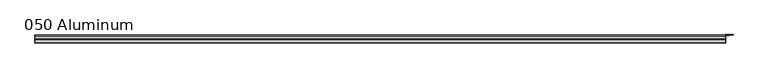
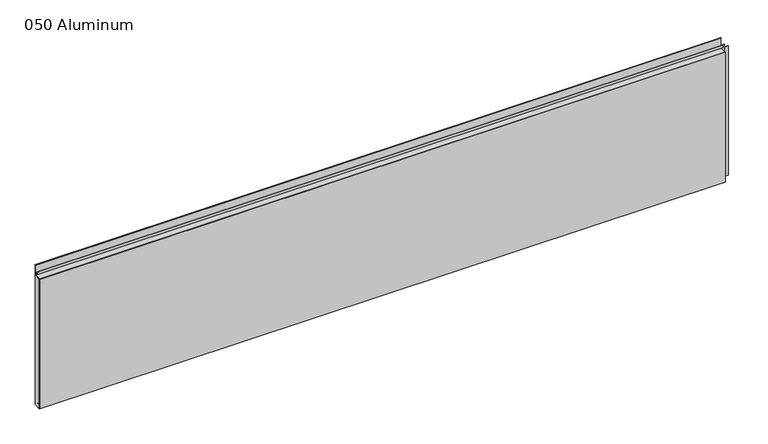
"""IFC4 building model written with IfcOpenShell, lengths in millimetres: plate geometry, 050 Aluminum."""

from ifc_helpers import new_model, si_unit, point, frame, frame_2d, origin, origin_with_axes, place, context, project, spatial, polyline, circle_curve, trimmed, segment, composite_curve, outline, extrude, source, transform, mapped, element, save


def plate_050_aluminum_02e44f10(model_context):
    return source(origin(), model_context, "Body", "SweptSolid", [
        extrude(outline(polyline([(-1529.0800002, -2.5660257), (-1529.0800002, -34.7980001), (-1530.3500001, -34.7980001), (-1530.3500001, -1.2699999), (-1516.1894996, -1.2699999), (-1516.1894996, -2.5660257), (-1529.0800002, -2.5660257)])), origin_with_axes(), (0.0, 0.0, 1.0), 608.33),
        extrude(outline(composite_curve([segment(polyline([(-16.6765477, 13.1458337), (-16.6765477, 2.786437), (-17.9464915, 2.786437), (-17.9464915, 13.1323356)]), True, "CONTINUOUS"), segment(trimmed(circle_curve(frame_2d((-19.8514743, 13.124237)), 1.905), [point((-17.9464915, 13.1323356))], [point((-21.7564743, 13.124237))], True, "CARTESIAN"), True, "CONTINUOUS"), segment(polyline([(-21.7564743, 13.124237), (-21.7564743, 0.0), (-34.7980002, 0.0), (-34.7980002, 1.2693678), (-23.0264743, 1.2693678), (-23.0264743, 13.124237)]), True, "CONTINUOUS"), segment(trimmed(circle_curve(frame_2d((-19.8514743, 13.124237)), 3.175), [point((-23.0264743, 13.124237))], [point((-16.6765477, 13.1458337))], False, "CARTESIAN"), True, "CONTINUOUS")], self_intersect=False)), frame((-1529.0800002, 0.0, 0.0), z_axis=(1.0, 0.0, 0.0), x_axis=(0.0, 1.0, 0.0)), (0.0, 0.0, 1.0), 3045.4600003),
        extrude(outline(composite_curve([segment(polyline([(-2.0574743, 656.7932001), (-2.0574743, 608.33), (-34.7980002, 608.33), (-34.7980002, 609.6000001), (-3.3274743, 609.6000001), (-3.3274743, 656.7932001)]), True, "CONTINUOUS"), segment(trimmed(circle_curve(frame_2d((-3.7084742, 656.7932001)), 0.3809999), [point((-3.3274743, 656.7932001))], [point((-4.0894742, 656.7932001))], True, "CARTESIAN"), True, "CONTINUOUS"), segment(polyline([(-4.0894742, 656.7932001), (-4.0894742, 622.3), (-20.4864742, 622.3), (-20.4864742, 633.6538), (-19.2164743, 633.6538), (-19.2164743, 623.57), (-5.3594742, 623.57), (-5.3594742, 656.7932001)]), True, "CONTINUOUS"), segment(trimmed(circle_curve(frame_2d((-3.7084742, 656.7932001)), 1.6509999), [point((-5.3594742, 656.7932001))], [point((-2.0574743, 656.7932001))], False, "CARTESIAN"), True, "CONTINUOUS")], self_intersect=False)), frame((-1529.0800002, 0.0, 0.0), z_axis=(1.0, 0.0, 0.0), x_axis=(0.0, 1.0, 0.0)), (0.0, 0.0, 1.0), 3045.4600003),
        extrude(outline(polyline([(-1530.3500002, -36.068), (-1530.3500002, -34.7980001), (1517.6500002, -34.7980001), (1517.6500002, -36.068), (-1530.3500002, -36.068)])), origin_with_axes(), (0.0, 0.0, 1.0), 609.6),
        extrude(outline(polyline([(1517.6500002, -1.2699999), (1517.6500002, -34.7980002), (1516.3800002, -34.7980002), (1516.3800002, 0.0), (1550.1620858, 0.0), (1550.1620858, -1.2699999), (1517.6500002, -1.2699999)])), origin_with_axes(), (0.0, 0.0, 1.0), 608.33),
        extrude(outline(polyline([(1516.3800002, -3.3274743), (1516.3800002, -2.0574743), (1532.1280001, -2.0574743), (1532.1280001, -3.3274743), (1516.3800002, -3.3274743)])), origin_with_axes(), (0.0, 0.0, 1.0), 622.3),
    ])


if __name__ == "__main__":
    model = new_model("IFC4")
    model_context = context("Model", 3, world=origin())
    ifc_project = project(units=[si_unit("LENGTHUNIT", "METRE", prefix="MILLI")], contexts=[model_context])
    site = spatial("IfcSite", under=ifc_project)
    building = spatial("IfcBuilding", under=site)
    placement = place(None, origin())
    plate_050_aluminum_shape = plate_050_aluminum_02e44f10(model_context)
    element("IfcPlate", 1, ObjectType="050 Aluminum", at=placement, inside=building, context=model_context, shape_type="MappedRepresentation", body=[
        mapped(plate_050_aluminum_shape, transform((0.0, 0.0, 0.0), x_axis=(1.0, 0.0, 0.0), y_axis=(0.0, 1.0, 0.0), z_axis=(0.0, 0.0, 1.0))),
    ])
    save(model, "model.ifc")
